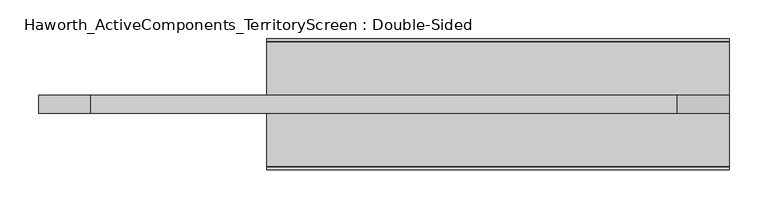
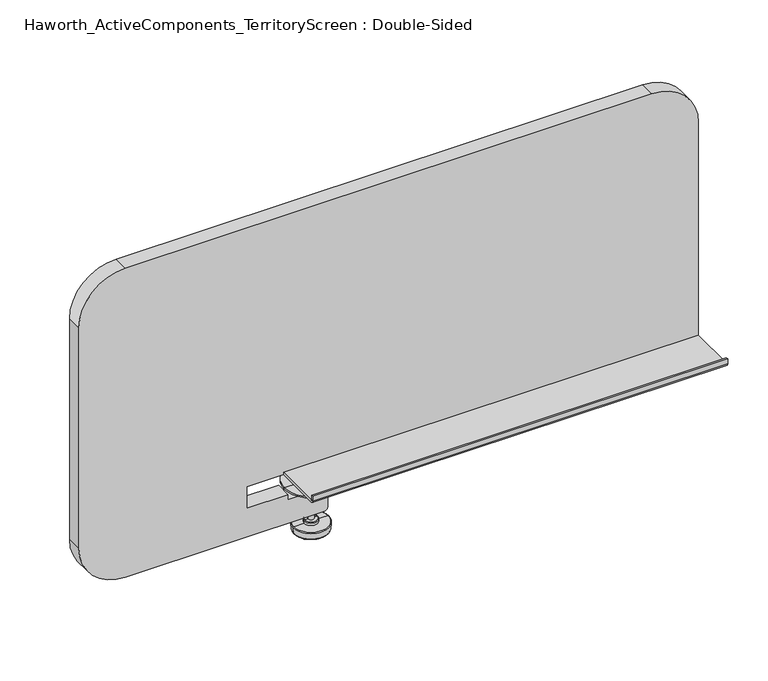
"""IFC4 building model written with IfcOpenShell, lengths in millimetres: furniture geometry, Haworth_ActiveComponents_TerritoryScreen : Double-Sided."""

from ifc_helpers import new_model, si_unit, point, frame, frame_2d, origin, place, context, project, spatial, polyline, circle_curve, ellipse_curve, trimmed, segment, composite_curve, outline, extrude, source, transform, mapped, element, save
from ifc_brep_helpers import plane_surface, cylinder_surface, revolved_surface, advanced_brep


def haworth_activecomponents_territoryscreen_double_sided_24f74880(model_context):
    return source(origin(), model_context, "Body", "SolidModel", [
        extrude(outline(composite_curve([segment(polyline([(181.2465234, 720.750386), (181.2465234, 723.9254103), (250.0556409, 723.9254103)]), True, "CONTINUOUS"), segment(trimmed(circle_curve(frame_2d((250.0556409, 724.7599222)), 0.8345119), [point((250.0556409, 723.9254103))], [point((250.8901528, 724.7599222))], True, "CARTESIAN"), True, "CONTINUOUS"), segment(polyline([(250.8901528, 724.7599222), (250.8901528, 731.7994209), (254.0651498, 731.7994209), (254.0651498, 724.719136)]), True, "CONTINUOUS"), segment(trimmed(circle_curve(frame_2d((250.0963998, 724.719136)), 3.96875), [point((254.0651498, 724.719136))], [point((250.0963998, 720.750386))], False, "CARTESIAN"), True, "CONTINUOUS"), segment(polyline([(250.0963998, 720.750386), (181.2465234, 720.750386)]), True, "CONTINUOUS")], self_intersect=False)), frame((-19.05, 0.0, 0.0), z_axis=(1.0, 0.0, 0.0), x_axis=(0.0, 1.0, 0.0)), (0.0, 0.0, 1.0), 595.3125),
        extrude(outline(composite_curve([segment(polyline([(158.2277734, 720.750386), (89.3778971, 720.750386)]), True, "CONTINUOUS"), segment(trimmed(circle_curve(frame_2d((89.3778971, 724.719136)), 3.96875), [point((89.3778971, 720.750386))], [point((85.4091471, 724.719136))], False, "CARTESIAN"), True, "CONTINUOUS"), segment(polyline([(85.4091471, 724.719136), (85.4091471, 731.7994209), (88.5841441, 731.7994209), (88.5841441, 724.7599222)]), True, "CONTINUOUS"), segment(trimmed(circle_curve(frame_2d((89.418656, 724.7599222)), 0.8345119), [point((88.5841441, 724.7599222))], [point((89.418656, 723.9254103))], True, "CARTESIAN"), True, "CONTINUOUS"), segment(polyline([(89.418656, 723.9254103), (158.2277734, 723.9254103), (158.2277734, 720.750386)]), True, "CONTINUOUS")], self_intersect=False)), frame((-19.05, 0.0, 0.0), z_axis=(1.0, 0.0, 0.0), x_axis=(0.0, 1.0, 0.0)), (0.0, 0.0, 1.0), 595.3125),
        advanced_brep(
        [(-11.1125, 169.7371484, 688.8734074), (65.0875, 169.7371484, 688.8734074), (65.0875, 169.7371484, 690.7783783), (-11.1125, 169.7371484, 690.7783783), (17.4625, 169.7371484, 688.8734074), (36.5125, 169.7371484, 688.8734074), (17.4625, 169.7371484, 682.5234316), (36.5125, 169.7371484, 682.5234316), (22.9743002, 169.7371484, 682.5234316), (31.0006998, 169.7371484, 682.5234316), (22.9743002, 169.7371484, 631.7234316), (31.0006998, 169.7371484, 631.7234316), (18.4546875, 169.7371484, 631.7234316), (35.5203125, 169.7371484, 631.7234316), (17.4625, 169.7371484, 630.7312441), (36.5125, 169.7371484, 630.7312441), (17.4625, 169.7371484, 626.9481901), (36.5125, 169.7371484, 626.9481901), (2.670286, 169.7371484, 626.9481901), (51.304714, 169.7371484, 626.9481901), (1.681874, 169.7371484, 625.8695277), (52.293126, 169.7371484, 625.8695277), (2.4815931, 169.7371484, 616.7287096), (51.4934069, 169.7371484, 616.7287096), (3.470005, 169.7371484, 615.8229971), (50.504995, 169.7371484, 615.8229971), (26.9875, 169.7371484, 615.8229971), (26.9875, 169.7371484, 690.7783783)],
        [
            (0, 1, circle_curve(frame((26.9875, 169.7371484, 688.8734074), z_axis=(0.0, 0.0, 1.0), x_axis=(1.0, 0.0, 0.0)), 38.1)),
            (1, 2),
            (2, 3, circle_curve(frame((26.9875, 169.7371484, 690.7783783), z_axis=(0.0, 0.0, -1.0), x_axis=(1.0, 0.0, 0.0)), 38.1)),
            (3, 0),
            (1, 0, circle_curve(frame((26.9875, 169.7371484, 688.8734074), z_axis=(0.0, 0.0, 1.0), x_axis=(1.0, 0.0, 0.0)), 38.1)),
            (3, 2, circle_curve(frame((26.9875, 169.7371484, 690.7783783), z_axis=(0.0, 0.0, -1.0), x_axis=(1.0, 0.0, 0.0)), 38.1)),
            (4, 5, circle_curve(frame((26.9875, 169.7371484, 688.8734074), z_axis=(0.0, 0.0, 1.0), x_axis=(1.0, 0.0, 0.0)), 9.525)),
            (5, 1),
            (0, 4),
            (5, 4, circle_curve(frame((26.9875, 169.7371484, 688.8734074), z_axis=(0.0, 0.0, 1.0), x_axis=(1.0, 0.0, 0.0)), 9.525)),
            (6, 7, circle_curve(frame((26.9875, 169.7371484, 682.5234316), z_axis=(0.0, 0.0, 1.0), x_axis=(1.0, 0.0, 0.0)), 9.525)),
            (7, 5),
            (4, 6),
            (7, 6, circle_curve(frame((26.9875, 169.7371484, 682.5234316), z_axis=(0.0, 0.0, 1.0), x_axis=(1.0, 0.0, 0.0)), 9.525)),
            (8, 9, circle_curve(frame((26.9875, 169.7371484, 682.5234316), z_axis=(0.0, 0.0, 1.0), x_axis=(1.0, 0.0, 0.0)), 4.0131998)),
            (9, 7),
            (6, 8),
            (9, 8, circle_curve(frame((26.9875, 169.7371484, 682.5234316), z_axis=(0.0, 0.0, 1.0), x_axis=(1.0, 0.0, 0.0)), 4.0131998)),
            (10, 11, circle_curve(frame((26.9875, 169.7371484, 631.7234316), z_axis=(0.0, 0.0, 1.0), x_axis=(1.0, 0.0, 0.0)), 4.0131998)),
            (11, 9),
            (8, 10),
            (11, 10, circle_curve(frame((26.9875, 169.7371484, 631.7234316), z_axis=(0.0, 0.0, 1.0), x_axis=(1.0, 0.0, 0.0)), 4.0131998)),
            (12, 13, circle_curve(frame((26.9875, 169.7371484, 631.7234316), z_axis=(0.0, 0.0, 1.0), x_axis=(1.0, 0.0, 0.0)), 8.5328125)),
            (13, 11),
            (10, 12),
            (13, 12, circle_curve(frame((26.9875, 169.7371484, 631.7234316), z_axis=(0.0, 0.0, 1.0), x_axis=(1.0, 0.0, 0.0)), 8.5328125)),
            (14, 15, circle_curve(frame((26.9875, 169.7371484, 630.7312441), z_axis=(0.0, 0.0, 1.0), x_axis=(1.0, 0.0, 0.0)), 9.525)),
            (15, 13, circle_curve(frame((35.5203125, 169.7371484, 630.7312441), z_axis=(0.0, -1.0, 0.0), x_axis=(0.0, 0.0, -1.0)), 0.9921875)),
            (12, 14, circle_curve(frame((18.4546875, 169.7371484, 630.7312441), z_axis=(0.0, -1.0, 0.0), x_axis=(0.0, 0.0, -1.0)), 0.9921875)),
            (15, 14, circle_curve(frame((26.9875, 169.7371484, 630.7312441), z_axis=(0.0, 0.0, 1.0), x_axis=(1.0, 0.0, 0.0)), 9.525)),
            (16, 17, circle_curve(frame((26.9875, 169.7371484, 626.9481901), z_axis=(0.0, 0.0, 1.0), x_axis=(1.0, 0.0, 0.0)), 9.525)),
            (17, 15),
            (14, 16),
            (17, 16, circle_curve(frame((26.9875, 169.7371484, 626.9481901), z_axis=(0.0, 0.0, 1.0), x_axis=(1.0, 0.0, 0.0)), 9.525)),
            (18, 19, circle_curve(frame((26.9875, 169.7371484, 626.9481901), z_axis=(0.0, 0.0, 1.0), x_axis=(1.0, 0.0, 0.0)), 24.317214)),
            (19, 17),
            (16, 18),
            (19, 18, circle_curve(frame((26.9875, 169.7371484, 626.9481901), z_axis=(0.0, 0.0, 1.0), x_axis=(1.0, 0.0, 0.0)), 24.317214)),
            (20, 21, circle_curve(frame((26.9875, 169.7371484, 625.8695277), z_axis=(0.0, 0.0, 1.0), x_axis=(1.0, 0.0, 0.0)), 25.305626)),
            (21, 19, circle_curve(frame((51.304714, 169.7371484, 625.9560026), z_axis=(0.0, -1.0, 0.0), x_axis=(0.0, 0.0, -1.0)), 0.9921875)),
            (18, 20, circle_curve(frame((2.670286, 169.7371484, 625.9560026), z_axis=(0.0, -1.0, 0.0), x_axis=(0.0, 0.0, -1.0)), 0.9921875)),
            (21, 20, circle_curve(frame((26.9875, 169.7371484, 625.8695277), z_axis=(0.0, 0.0, 1.0), x_axis=(1.0, 0.0, 0.0)), 25.305626)),
            (22, 23, circle_curve(frame((26.9875, 169.7371484, 616.7287096), z_axis=(0.0, 0.0, 1.0), x_axis=(1.0, 0.0, 0.0)), 24.5059069)),
            (23, 21),
            (20, 22),
            (23, 22, circle_curve(frame((26.9875, 169.7371484, 616.7287096), z_axis=(0.0, 0.0, 1.0), x_axis=(1.0, 0.0, 0.0)), 24.5059069)),
            (24, 25, circle_curve(frame((26.9875, 169.7371484, 615.8229971), z_axis=(0.0, 0.0, 1.0), x_axis=(1.0, 0.0, 0.0)), 23.517495)),
            (25, 23, circle_curve(frame((50.504995, 169.7371484, 616.8151846), z_axis=(0.0, -1.0, 0.0), x_axis=(0.0, 0.0, -1.0)), 0.9921875)),
            (22, 24, circle_curve(frame((3.470005, 169.7371484, 616.8151846), z_axis=(0.0, -1.0, 0.0), x_axis=(0.0, 0.0, -1.0)), 0.9921875)),
            (25, 24, circle_curve(frame((26.9875, 169.7371484, 615.8229971), z_axis=(0.0, 0.0, 1.0), x_axis=(1.0, 0.0, 0.0)), 23.517495)),
            (26, 25),
            (24, 26),
            (2, 27),
            (27, 3),
        ],
        [
            cylinder_surface(frame((26.9875, 169.7371484, 703.4783783), z_axis=(0.0, 0.0, -1.0), x_axis=(1.0, 0.0, 0.0)), 38.1),
            plane_surface(frame((26.9875, 169.7371484, 688.8734074), z_axis=(0.0, 0.0, -1.0), x_axis=(1.0, 0.0, 0.0))),
            cylinder_surface(frame((26.9875, 169.7371484, 703.4783783), z_axis=(0.0, 0.0, -1.0), x_axis=(1.0, 0.0, 0.0)), 9.525),
            plane_surface(frame((26.9875, 169.7371484, 682.5234316), z_axis=(0.0, 0.0, -1.0), x_axis=(1.0, 0.0, 0.0))),
            cylinder_surface(frame((26.9875, 169.7371484, 703.4783783), z_axis=(0.0, 0.0, -1.0), x_axis=(1.0, 0.0, 0.0)), 4.0131998),
            plane_surface(frame((26.9875, 169.7371484, 631.7234316), z_axis=(0.0, 0.0, 1.0), x_axis=(1.0, 0.0, 0.0))),
            revolved_surface(trimmed(ellipse_curve(frame((35.5203125, 169.7371484, 630.7312441), z_axis=(0.0, 1.0, 0.0), x_axis=(0.0, 0.0, -1.0)), 0.9921875, 0.9921875), [point((35.5203125, 169.7371484, 631.7234316))], [point((36.5125, 169.7371484, 630.7312441))], True, "CARTESIAN"), (26.9875, 169.7371484, 703.4783783), (0.0, 0.0, -1.0)),
            plane_surface(frame((26.9875, 169.7371484, 626.9481901), z_axis=(0.0, 0.0, 1.0), x_axis=(1.0, 0.0, 0.0))),
            revolved_surface(trimmed(ellipse_curve(frame((51.304714, 169.7371484, 625.9560026), z_axis=(0.0, 1.0, 0.0), x_axis=(0.0, 0.0, -1.0)), 0.9921875, 0.9921875), [point((51.304714, 169.7371484, 626.9481901))], [point((52.293126, 169.7371484, 625.8695277))], True, "CARTESIAN"), (26.9875, 169.7371484, 703.4783783), (0.0, 0.0, -1.0)),
            revolved_surface(polyline([(52.293126, 169.7371484, 625.8695277), (51.4934069, 169.7371484, 616.7287096)]), (26.9875, 169.7371484, 703.4783783), (0.0, 0.0, -1.0)),
            revolved_surface(trimmed(ellipse_curve(frame((50.504995, 169.7371484, 616.8151846), z_axis=(0.0, 1.0, 0.0), x_axis=(0.0, 0.0, -1.0)), 0.9921875, 0.9921875), [point((51.4934069, 169.7371484, 616.7287096))], [point((50.504995, 169.7371484, 615.8229971))], True, "CARTESIAN"), (26.9875, 169.7371484, 703.4783783), (0.0, 0.0, -1.0)),
            plane_surface(frame((26.9875, 169.7371484, 615.8229971), z_axis=(0.0, 0.0, -1.0), x_axis=(1.0, 0.0, 0.0))),
            plane_surface(frame((26.9875, 169.7371484, 690.7783783), z_axis=(0.0, 0.0, 1.0), x_axis=(1.0, 0.0, 0.0))),
        ],
        [
            (0, [[1, 2, 3, 4]]),
            (0, [[5, -4, 6, -2]]),
            (1, [[7, 8, -1, 9]]),
            (1, [[10, -9, -5, -8]]),
            (2, [[11, 12, -7, 13]]),
            (2, [[14, -13, -10, -12]]),
            (3, [[15, 16, -11, 17]]),
            (3, [[18, -17, -14, -16]]),
            (4, [[19, 20, -15, 21]]),
            (4, [[22, -21, -18, -20]]),
            (5, [[23, 24, -19, 25]]),
            (5, [[26, -25, -22, -24]]),
            (6, [[27, 28, -23, 29]]),
            (6, [[30, -29, -26, -28]]),
            (2, [[31, 32, -27, 33]]),
            (2, [[34, -33, -30, -32]]),
            (7, [[35, 36, -31, 37]]),
            (7, [[38, -37, -34, -36]]),
            (8, [[39, 40, -35, 41]]),
            (8, [[42, -41, -38, -40]]),
            (9, [[43, 44, -39, 45]]),
            (9, [[46, -45, -42, -44]]),
            (10, [[47, 48, -43, 49]]),
            (10, [[50, -49, -46, -48]]),
            (11, [[51, -47, 52]]),
            (11, [[-52, -50, -51]]),
            (12, [[-3, 53, 54]]),
            (12, [[-6, -54, -53]]),
        ],
    ),
        extrude(outline(composite_curve([segment(polyline([(688.2384171, -71.6914816), (720.750386, -71.6914816), (720.750386, 571.5)]), True, "CONTINUOUS"), segment(trimmed(circle_curve(frame_2d((725.512886, 571.5)), 4.7625), [point((720.750386, 571.5))], [point((725.512886, 576.2625))], False, "CARTESIAN"), True, "CONTINUOUS"), segment(polyline([(725.512886, 576.2625), (1046.2513754, 576.2625)]), True, "CONTINUOUS"), segment(trimmed(circle_curve(frame_2d((1046.2513754, 509.5875)), 66.675), [point((1046.2513754, 576.2625))], [point((1112.9263754, 509.5875))], False, "CARTESIAN"), True, "CONTINUOUS"), segment(polyline([(1112.9263754, 509.5875), (1112.9263754, -246.0625)]), True, "CONTINUOUS"), segment(trimmed(circle_curve(frame_2d((1046.2513754, -246.0625)), 66.675), [point((1112.9263754, -246.0625))], [point((1046.2513754, -312.7375))], False, "CARTESIAN"), True, "CONTINUOUS"), segment(polyline([(1046.2513754, -312.7375), (711.4285713, -312.7375)]), True, "CONTINUOUS"), segment(trimmed(circle_curve(frame_2d((711.4285713, -246.0625)), 66.675), [point((711.4285713, -312.7375))], [point((644.7535713, -246.0625))], False, "CARTESIAN"), True, "CONTINUOUS"), segment(polyline([(644.7535713, -246.0625), (644.7535713, 39.6240167)]), True, "CONTINUOUS"), segment(trimmed(circle_curve(frame_2d((649.5160713, 39.6240167)), 4.7625), [point((644.7535713, 39.6240167))], [point((649.5160713, 44.3865167))], False, "CARTESIAN"), True, "CONTINUOUS"), segment(polyline([(649.5160713, 44.3865167), (675.5511101, 44.3865167)]), True, "CONTINUOUS"), segment(trimmed(circle_curve(frame_2d((675.5511101, 39.6240167)), 4.7625), [point((675.5511101, 44.3865167))], [point((680.3136101, 39.6240167))], False, "CARTESIAN"), True, "CONTINUOUS"), segment(polyline([(680.3136101, 39.6240167), (680.3136101, -12.7634833), (688.2384171, -12.7634833), (688.2384171, -71.6914816)]), True, "CONTINUOUS")], self_intersect=False)), frame((0.0, 158.2277734, 0.0), z_axis=(0.0, 1.0, 0.0), x_axis=(0.0, 0.0, 1.0)), (0.0, 0.0, 1.0), 23.01875),
    ])


if __name__ == "__main__":
    model = new_model("IFC4")
    model_context = context("Model", 3, world=origin())
    ifc_project = project(units=[si_unit("LENGTHUNIT", "METRE", prefix="MILLI")], contexts=[model_context])
    site = spatial("IfcSite", under=ifc_project)
    building = spatial("IfcBuilding", under=site)
    placement = place(None, origin())
    haworth_activecomponents_territoryscreen_double_sided_shape = haworth_activecomponents_territoryscreen_double_sided_24f74880(model_context)
    element("IfcFurniture", 1, ObjectType="Haworth_ActiveComponents_TerritoryScreen : Double-Sided", at=placement, inside=building, context=model_context, shape_type="MappedRepresentation", body=[
        mapped(haworth_activecomponents_territoryscreen_double_sided_shape, transform((0.0, 0.0, 0.0), x_axis=(1.0, 0.0, 0.0), y_axis=(0.0, 1.0, 0.0), z_axis=(0.0, 0.0, 1.0))),
    ])
    save(model, "model.ifc")
